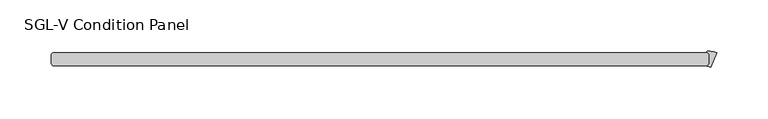
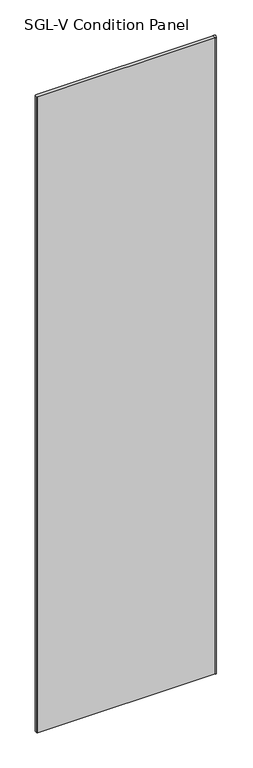
"""IFC4 building model written with IfcOpenShell, lengths in millimetres: plate geometry, SGL-V Condition Panel."""

from ifc_helpers import new_model, si_unit, point, frame_2d, origin, origin_with_axes, place, context, project, spatial, polyline, circle_curve, trimmed, segment, composite_curve, outline, extrude, source, transform, mapped, element, save


def sgl_v_condition_panel_e7ab48dd(model_context):
    return source(origin(), model_context, "Body", "SweptSolid", [
        extrude(outline(composite_curve([segment(polyline([(324.8343416, 25.4), (324.8343416, 34.925), (322.7551339, 37.0042077)]), True, "CONTINUOUS"), segment(trimmed(circle_curve(frame_2d((323.0357669, 37.2848407)), 0.396875), [point((322.7551339, 37.0042077))], [point((322.9799997, 37.6777781))], False, "CARTESIAN"), True, "CONTINUOUS"), segment(trimmed(circle_curve(frame_2d((325.462995, 20.1825115)), 17.6705863), [point((322.9799997, 37.6777781))], [point((332.2252356, 36.5080045))], False, "CARTESIAN"), True, "CONTINUOUS"), segment(polyline([(332.2252356, 36.5080045), (326.3782769, 22.3921974)]), True, "CONTINUOUS"), segment(trimmed(circle_curve(frame_2d((323.2331067, 14.799085)), 8.2187257), [point((326.3782769, 22.3921974))], [point((323.4004278, 23.0161073))], True, "CARTESIAN"), True, "CONTINUOUS"), segment(trimmed(circle_curve(frame_2d((323.4085076, 23.4129)), 0.396875), [point((323.4004278, 23.0161073))], [point((323.1278746, 23.6935331))], False, "CARTESIAN"), True, "CONTINUOUS"), segment(polyline([(323.1278746, 23.6935331), (324.8343416, 25.4)]), True, "CONTINUOUS")], self_intersect=False)), origin_with_axes(), (0.0, 0.0, 1.0), 2417.075),
        extrude(outline(polyline([(323.2468416, 36.5125), (324.8343416, 34.925), (324.8343416, 25.4), (323.2468416, 23.8125), (-315.515625, 23.8125), (-317.103125, 25.4), (-317.103125, 34.925), (-315.515625, 36.5125), (323.2468416, 36.5125)])), origin_with_axes(), (0.0, 0.0, 1.0), 2417.075),
    ])


if __name__ == "__main__":
    model = new_model("IFC4")
    model_context = context("Model", 3, world=origin())
    ifc_project = project(units=[si_unit("LENGTHUNIT", "METRE", prefix="MILLI")], contexts=[model_context])
    site = spatial("IfcSite", under=ifc_project)
    building = spatial("IfcBuilding", under=site)
    placement = place(None, origin())
    sgl_v_condition_panel_shape = sgl_v_condition_panel_e7ab48dd(model_context)
    element("IfcPlate", 1, ObjectType="SGL-V Condition Panel", at=placement, inside=building, context=model_context, shape_type="MappedRepresentation", body=[
        mapped(sgl_v_condition_panel_shape, transform((0.0, 0.0, 0.0), x_axis=(1.0, 0.0, 0.0), y_axis=(0.0, 1.0, 0.0), z_axis=(0.0, 0.0, 1.0))),
    ])
    save(model, "model.ifc")
